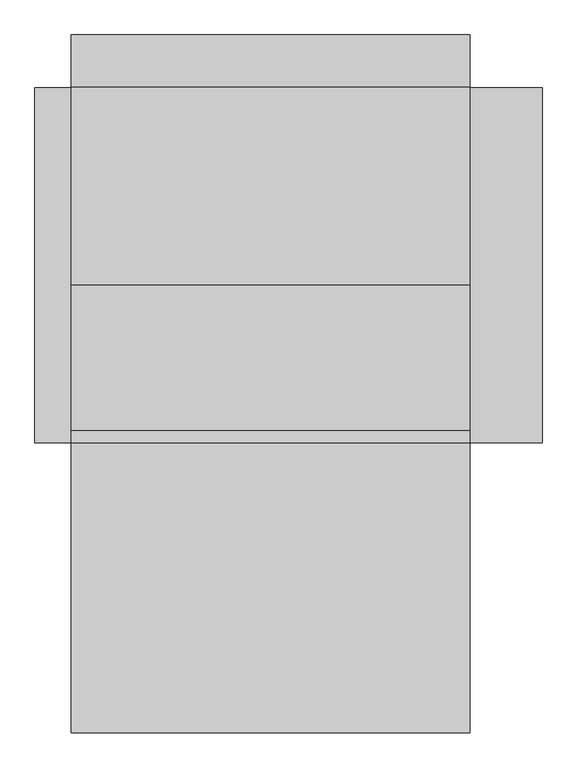
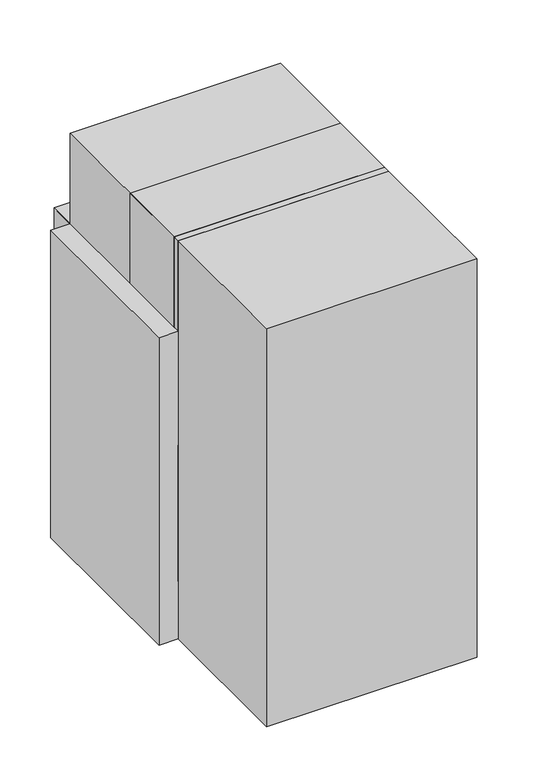
"""IFC4 building model written with IfcOpenShell, lengths in millimetres: proxy geometry."""

from ifc_helpers import new_model, si_unit, frame, origin, origin_with_axes, place, context, project, spatial, polyline, circle_curve, outline, extrude, faceted_brep, source, transform, mapped, element, save
from ifc_brep_helpers import plane_surface, revolved_surface, advanced_brep


def electrical_fixtures_802eb6a6(model_context):
    return source(origin(), model_context, "Body", "SolidModel", [
        faceted_brep([(1100.0, 980.0, 0.0), (1100.0, 980.0, 1350.0), (1100.0, 244.0, 1350.0), (1100.0, 160.0, 1266.0), (1100.0, 160.0, 1070.0), (1100.0, 60.0, 1070.0), (1100.0, 60.0, 0.0), (0.0, 980.0, 0.0), (0.0, 60.0, 0.0), (0.0, 60.0, 1070.0), (0.0, 160.0, 1070.0), (0.0, 160.0, 1266.0), (0.0, 244.0, 1350.0), (0.0, 980.0, 1350.0), (40.0, 100.0, 0.0), (1060.0, 100.0, 0.0), (1060.0, 710.0, 0.0), (40.0, 710.0, 0.0), (40.0, 710.0, 10.0), (1060.0, 710.0, 10.0), (1060.0, 100.0, 10.0), (40.0, 100.0, 10.0)], [[[0, 1, 2, 3, 4, 5, 6]], [[7, 8, 9, 10, 11, 12, 13]], [[1, 0, 7, 13]], [[2, 1, 13, 12]], [[0, 6, 8, 7], [14, 15, 16, 17]], [[4, 3, 11, 10]], [[5, 4, 10, 9]], [[6, 5, 9, 8]], [[3, 2, 12, 11]], [[18, 19, 20, 21]], [[21, 20, 15, 14]], [[20, 19, 16, 15]], [[19, 18, 17, 16]], [[18, 21, 14, 17]]]),
        extrude(outline(polyline([(1100.0, 61.0), (1100.0, 0.0), (0.0, 0.0), (0.0, 61.0), (1100.0, 61.0)])), frame((0.0, 0.0, 320.0), z_axis=(0.0, 0.0, 1.0), x_axis=(1.0, 0.0, 0.0)), (0.0, 0.0, 1.0), 750.0),
        advanced_brep(
        [(1100.0, 325.0, 1350.0), (1100.0, 980.0, 1350.0), (1100.0, 980.0, 1600.0), (1100.0, 325.0, 1600.0), (1100.0, 503.75, 1475.0), (1100.0, 383.75, 1475.0), (1100.0, 682.5, 1475.0), (1100.0, 562.5, 1475.0), (1100.0, 861.25, 1475.0), (1100.0, 741.25, 1475.0), (0.0, 325.0, 1350.0), (0.0, 325.0, 1600.0), (0.0, 980.0, 1600.0), (0.0, 980.0, 1350.0), (0.0, 741.25, 1475.0), (0.0, 861.25, 1475.0), (0.0, 562.5, 1475.0), (0.0, 682.5, 1475.0), (0.0, 383.75, 1475.0), (0.0, 503.75, 1475.0), (5.0, 741.25, 1475.0), (5.0, 861.25, 1475.0), (5.0, 562.5, 1475.0), (5.0, 682.5, 1475.0), (5.0, 383.75, 1475.0), (5.0, 503.75, 1475.0), (1095.0, 503.75, 1475.0), (1095.0, 383.75, 1475.0), (1095.0, 682.5, 1475.0), (1095.0, 562.5, 1475.0), (1095.0, 861.25, 1475.0), (1095.0, 741.25, 1475.0)],
        [
            (0, 1),
            (1, 2),
            (2, 3),
            (3, 0),
            (4, 5, circle_curve(frame((1100.0, 443.75, 1475.0), z_axis=(-1.0, 0.0, 0.0), x_axis=(0.0, -1.0, 0.0)), 60.0)),
            (5, 4, circle_curve(frame((1100.0, 443.75, 1475.0), z_axis=(-1.0, 0.0, 0.0), x_axis=(0.0, -1.0, 0.0)), 60.0)),
            (6, 7, circle_curve(frame((1100.0, 622.5, 1475.0), z_axis=(-1.0, 0.0, 0.0), x_axis=(0.0, -1.0, 0.0)), 60.0)),
            (7, 6, circle_curve(frame((1100.0, 622.5, 1475.0), z_axis=(-1.0, 0.0, 0.0), x_axis=(0.0, -1.0, 0.0)), 60.0)),
            (8, 9, circle_curve(frame((1100.0, 801.25, 1475.0), z_axis=(-1.0, 0.0, 0.0), x_axis=(0.0, -1.0, 0.0)), 60.0)),
            (9, 8, circle_curve(frame((1100.0, 801.25, 1475.0), z_axis=(-1.0, 0.0, 0.0), x_axis=(0.0, -1.0, 0.0)), 60.0)),
            (10, 11),
            (11, 12),
            (12, 13),
            (13, 10),
            (14, 15, circle_curve(frame((0.0, 801.25, 1475.0), z_axis=(1.0, 0.0, 0.0), x_axis=(0.0, 1.0, 0.0)), 60.0)),
            (15, 14, circle_curve(frame((0.0, 801.25, 1475.0), z_axis=(1.0, 0.0, 0.0), x_axis=(0.0, 1.0, 0.0)), 60.0)),
            (16, 17, circle_curve(frame((0.0, 622.5, 1475.0), z_axis=(1.0, 0.0, 0.0), x_axis=(0.0, 1.0, 0.0)), 60.0)),
            (17, 16, circle_curve(frame((0.0, 622.5, 1475.0), z_axis=(1.0, 0.0, 0.0), x_axis=(0.0, 1.0, 0.0)), 60.0)),
            (18, 19, circle_curve(frame((0.0, 443.75, 1475.0), z_axis=(1.0, 0.0, 0.0), x_axis=(0.0, 1.0, 0.0)), 60.0)),
            (19, 18, circle_curve(frame((0.0, 443.75, 1475.0), z_axis=(1.0, 0.0, 0.0), x_axis=(0.0, 1.0, 0.0)), 60.0)),
            (0, 10),
            (13, 1),
            (12, 2),
            (11, 3),
            (20, 21, circle_curve(frame((5.0, 801.25, 1475.0), z_axis=(-1.0, 0.0, 0.0), x_axis=(0.0, 1.0, 0.0)), 60.0)),
            (21, 20, circle_curve(frame((5.0, 801.25, 1475.0), z_axis=(-1.0, 0.0, 0.0), x_axis=(0.0, 1.0, 0.0)), 60.0)),
            (22, 23, circle_curve(frame((5.0, 622.5, 1475.0), z_axis=(-1.0, 0.0, 0.0), x_axis=(0.0, 1.0, 0.0)), 60.0)),
            (23, 22, circle_curve(frame((5.0, 622.5, 1475.0), z_axis=(-1.0, 0.0, 0.0), x_axis=(0.0, 1.0, 0.0)), 60.0)),
            (24, 25, circle_curve(frame((5.0, 443.75, 1475.0), z_axis=(-1.0, 0.0, 0.0), x_axis=(0.0, 1.0, 0.0)), 60.0)),
            (25, 24, circle_curve(frame((5.0, 443.75, 1475.0), z_axis=(-1.0, 0.0, 0.0), x_axis=(0.0, 1.0, 0.0)), 60.0)),
            (21, 15),
            (14, 20),
            (23, 17),
            (16, 22),
            (25, 19),
            (18, 24),
            (26, 27, circle_curve(frame((1095.0, 443.75, 1475.0), z_axis=(1.0, 0.0, 0.0), x_axis=(0.0, -1.0, 0.0)), 60.0)),
            (27, 26, circle_curve(frame((1095.0, 443.75, 1475.0), z_axis=(1.0, 0.0, 0.0), x_axis=(0.0, -1.0, 0.0)), 60.0)),
            (28, 29, circle_curve(frame((1095.0, 622.5, 1475.0), z_axis=(1.0, 0.0, 0.0), x_axis=(0.0, -1.0, 0.0)), 60.0)),
            (29, 28, circle_curve(frame((1095.0, 622.5, 1475.0), z_axis=(1.0, 0.0, 0.0), x_axis=(0.0, -1.0, 0.0)), 60.0)),
            (30, 31, circle_curve(frame((1095.0, 801.25, 1475.0), z_axis=(1.0, 0.0, 0.0), x_axis=(0.0, -1.0, 0.0)), 60.0)),
            (31, 30, circle_curve(frame((1095.0, 801.25, 1475.0), z_axis=(1.0, 0.0, 0.0), x_axis=(0.0, -1.0, 0.0)), 60.0)),
            (27, 5),
            (4, 26),
            (29, 7),
            (6, 28),
            (31, 9),
            (8, 30),
        ],
        [
            plane_surface(frame((1100.0, 980.0, 1350.0), z_axis=(1.0, 0.0, 0.0), x_axis=(0.0, 1.0, 0.0))),
            plane_surface(frame((0.0, 980.0, 1350.0), z_axis=(-1.0, 0.0, 0.0), x_axis=(0.0, -1.0, 0.0))),
            plane_surface(frame((1100.0, 325.0, 1350.0), z_axis=(0.0, 0.0, -1.0), x_axis=(-1.0, 0.0, 0.0))),
            plane_surface(frame((1100.0, 980.0, 1350.0), z_axis=(0.0, 1.0, 0.0), x_axis=(-1.0, 0.0, 0.0))),
            plane_surface(frame((1100.0, 980.0, 1600.0), z_axis=(0.0, 0.0, 1.0), x_axis=(-1.0, 0.0, 0.0))),
            plane_surface(frame((1100.0, 325.0, 1600.0), z_axis=(0.0, -1.0, 0.0), x_axis=(-1.0, 0.0, 0.0))),
            plane_surface(frame((5.0, 861.25, 1475.0), z_axis=(-1.0, 0.0, 0.0), x_axis=(0.0, 0.0, 1.0))),
            revolved_surface(polyline([(5.0, 861.25, 1475.0), (0.0, 861.25, 1475.0)]), (0.0, 801.25, 1475.0), (1.0, 0.0, 0.0)),
            revolved_surface(polyline([(5.0, 682.5, 1475.0), (0.0, 682.5, 1475.0)]), (0.0, 622.5, 1475.0), (1.0, 0.0, 0.0)),
            revolved_surface(polyline([(5.0, 503.75, 1475.0), (0.0, 503.75, 1475.0)]), (0.0, 443.75, 1475.0), (1.0, 0.0, 0.0)),
            plane_surface(frame((1095.0, 383.75, 1475.0), z_axis=(1.0, 0.0, 0.0), x_axis=(0.0, 0.0, 1.0))),
            revolved_surface(polyline([(1095.0, 383.75, 1475.0), (1100.0, 383.75, 1475.0)]), (1100.0, 443.75, 1475.0), (-1.0, 0.0, 0.0)),
            revolved_surface(polyline([(1095.0, 562.5, 1475.0), (1100.0, 562.5, 1475.0)]), (1100.0, 622.5, 1475.0), (-1.0, 0.0, 0.0)),
            revolved_surface(polyline([(1095.0, 741.25, 1475.0), (1100.0, 741.25, 1475.0)]), (1100.0, 801.25, 1475.0), (-1.0, 0.0, 0.0)),
        ],
        [
            (0, [[1, 2, 3, 4], [5, 6], [7, 8], [9, 10]]),
            (1, [[11, 12, 13, 14], [15, 16], [17, 18], [19, 20]]),
            (2, [[-1, 21, -14, 22]]),
            (3, [[-2, -22, -13, 23]]),
            (4, [[-3, -23, -12, 24]]),
            (5, [[-4, -24, -11, -21]]),
            (6, [[25, 26]]),
            (6, [[27, 28]]),
            (6, [[29, 30]]),
            (7, [[-26, 31, -15, 32]]),
            (7, [[-25, -32, -16, -31]]),
            (8, [[-28, 33, -17, 34]]),
            (8, [[-27, -34, -18, -33]]),
            (9, [[-30, 35, -19, 36]]),
            (9, [[-29, -36, -20, -35]]),
            (10, [[37, 38]]),
            (10, [[39, 40]]),
            (10, [[41, 42]]),
            (11, [[-38, 43, -5, 44]]),
            (11, [[-37, -44, -6, -43]]),
            (12, [[-40, 45, -7, 46]]),
            (12, [[-39, -46, -8, -45]]),
            (13, [[-42, 47, -9, 48]]),
            (13, [[-41, -48, -10, -47]]),
        ],
    ),
        extrude(outline(polyline([(36.0, 1070.0), (36.0, 1600.0), (325.0, 1600.0), (325.0, 1350.0), (244.0, 1350.0), (160.0, 1266.0), (160.0, 1070.0), (36.0, 1070.0)])), frame((0.0, 0.0, 0.0), z_axis=(1.0, 0.0, 0.0), x_axis=(0.0, 1.0, 0.0)), (0.0, 0.0, 1.0), 1100.0),
        extrude(outline(polyline([(335.0, 1600.0), (35.0, 1600.0), (35.0, 2200.0), (435.0, 2200.0), (435.0, 1700.0), (335.0, 1600.0)])), frame((0.0, 0.0, 0.0), z_axis=(1.0, 0.0, 0.0), x_axis=(0.0, 1.0, 0.0)), (0.0, 0.0, 1.0), 1100.0),
        extrude(outline(polyline([(1100.0, 980.0), (1100.0, 0.0), (0.0, 0.0), (0.0, 980.0), (1100.0, 980.0)])), frame((0.0, 0.0, 1700.0), z_axis=(0.0, 0.0, 1.0), x_axis=(1.0, 0.0, 0.0)), (0.0, 0.0, 1.0), 500.0),
        extrude(outline(polyline([(1100.0, 1125.0), (1100.0, 980.0), (0.0, 980.0), (0.0, 1125.0), (1100.0, 1125.0)])), origin_with_axes(), (0.0, 0.0, 1.0), 1700.0),
        extrude(outline(polyline([(1300.0, 980.0), (1300.0, 0.0), (1100.0, 0.0), (1100.0, 980.0), (1300.0, 980.0)])), origin_with_axes(), (0.0, 0.0, 1.0), 1700.0),
        extrude(outline(polyline([(0.0, 980.0), (0.0, 0.0), (-100.0, 0.0), (-100.0, 980.0), (0.0, 980.0)])), origin_with_axes(), (0.0, 0.0, 1.0), 1700.0),
        extrude(outline(polyline([(1095.0, 0.0), (980.0, 0.0), (980.0, 1600.0), (735.0, 1600.0), (735.0, 1700.0), (1095.0, 1700.0), (1095.0, 0.0)])), frame((0.0, 0.0, 0.0), z_axis=(1.0, 0.0, 0.0), x_axis=(0.0, 1.0, 0.0)), (0.0, 0.0, 1.0), 1100.0),
        extrude(outline(polyline([(1100.0, 0.0), (1100.0, -800.0), (0.0, -800.0), (0.0, 0.0), (1100.0, 0.0)])), origin_with_axes(), (0.0, 0.0, 1.0), 2200.0),
    ])


if __name__ == "__main__":
    model = new_model("IFC4")
    model_context = context("Model", 3, world=origin())
    ifc_project = project(units=[si_unit("LENGTHUNIT", "METRE", prefix="MILLI")], contexts=[model_context])
    site = spatial("IfcSite", under=ifc_project)
    building = spatial("IfcBuilding", under=site)
    placement = place(None, origin())
    electrical_fixtures_shape = electrical_fixtures_802eb6a6(model_context)
    element("IfcBuildingElementProxy", 1, Name="Electrical Fixtures", at=placement, inside=building, context=model_context, shape_type="MappedRepresentation", body=[
        mapped(electrical_fixtures_shape, transform((0.0, 0.0, 0.0), x_axis=(1.0, 0.0, 0.0), y_axis=(0.0, 1.0, 0.0), z_axis=(0.0, 0.0, 1.0))),
    ])
    save(model, "model.ifc")
